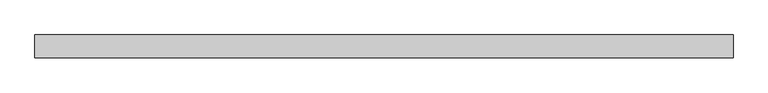
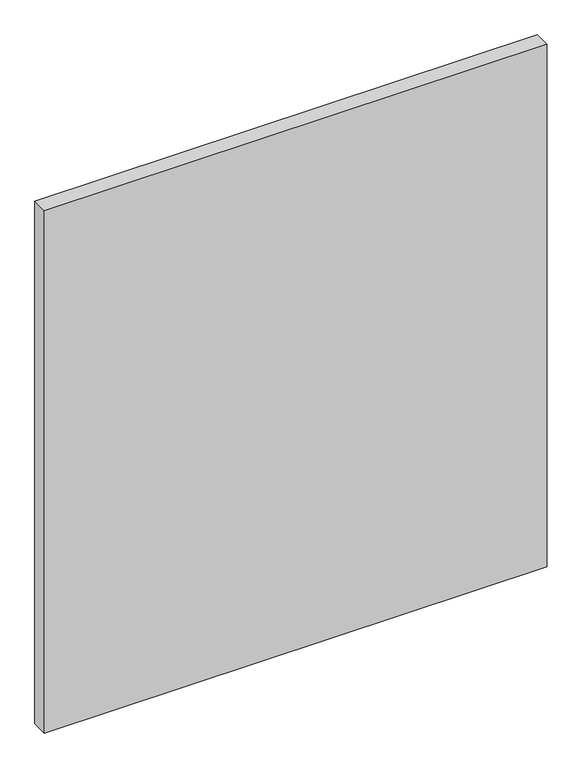
"""IFC4 building model written with IfcOpenShell, lengths in millimetres: plate geometry."""

from ifc_helpers import new_model, si_unit, origin, origin_with_axes, place, context, project, spatial, polyline, outline, extrude, source, transform, mapped, element, save


def plate_00807aad(model_context):
    return source(origin(), model_context, "Body", "SweptSolid", [
        extrude(outline(polyline([(532.9791667, -17.5), (-532.9791667, -17.5), (-532.9791667, 17.5), (532.9791667, 17.5), (532.9791667, -17.5)])), origin_with_axes(), (0.0, 0.0, 1.0), 1170.0),
    ])


if __name__ == "__main__":
    model = new_model("IFC4")
    model_context = context("Model", 3, world=origin())
    ifc_project = project(units=[si_unit("LENGTHUNIT", "METRE", prefix="MILLI")], contexts=[model_context])
    site = spatial("IfcSite", under=ifc_project)
    building = spatial("IfcBuilding", under=site)
    placement = place(None, origin())
    plate_shape = plate_00807aad(model_context)
    element("IfcPlate", 1, at=placement, inside=building, context=model_context, shape_type="MappedRepresentation", body=[
        mapped(plate_shape, transform((0.0, 0.0, 0.0), x_axis=(1.0, 0.0, 0.0), y_axis=(0.0, 1.0, 0.0), z_axis=(0.0, 0.0, 1.0))),
    ])
    save(model, "model.ifc")
